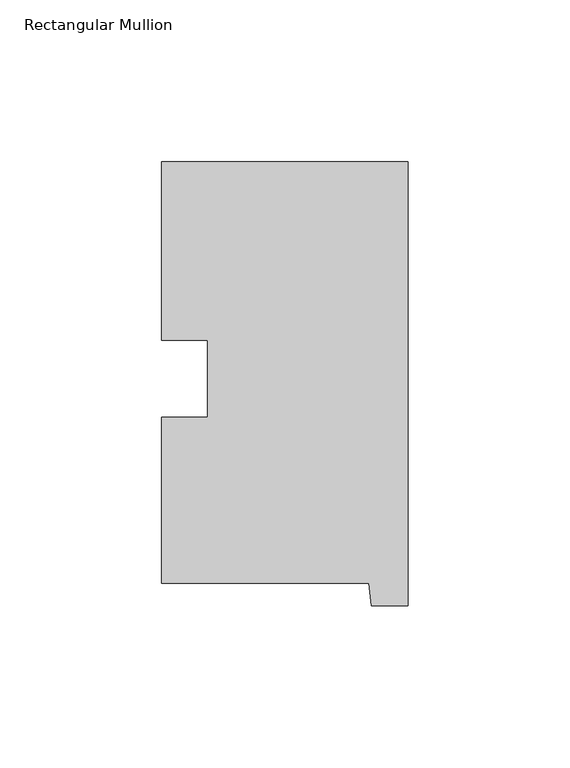
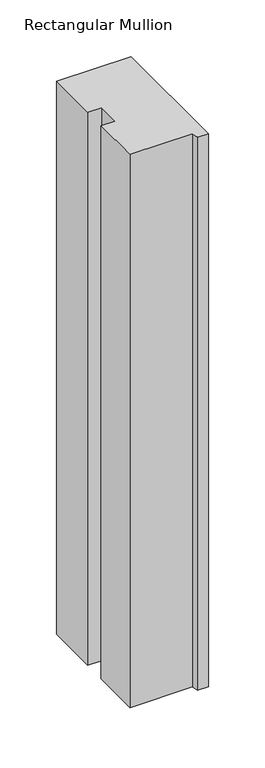
"""IFC4 building model written with IfcOpenShell, lengths in millimetres: member geometry, Rectangular Mullion."""

from ifc_helpers import new_model, si_unit, frame, origin, place, context, project, spatial, polyline, outline, extrude, source, transform, mapped, element, save


def rectangular_mullion_60ab1655(model_context):
    return source(origin(), model_context, "Body", "SweptSolid", [
        extrude(outline(polyline([(-76.2, 130.56235), (0.0, 130.56235), (0.0, -6.64845), (-11.4023812, -6.64845), (-12.1549448, 0.26035), (-76.2, 0.26035), (-76.2, 51.60645), (-61.960125, 51.60645), (-61.960125, 75.40625), (-76.2, 75.40625), (-76.2, 130.56235)])), frame((0.0, 0.0, -596.9), z_axis=(0.0, 0.0, 1.0), x_axis=(1.0, 0.0, 0.0)), (0.0, 0.0, 1.0), 596.9),
    ])


if __name__ == "__main__":
    model = new_model("IFC4")
    model_context = context("Model", 3, world=origin())
    ifc_project = project(units=[si_unit("LENGTHUNIT", "METRE", prefix="MILLI")], contexts=[model_context])
    site = spatial("IfcSite", under=ifc_project)
    building = spatial("IfcBuilding", under=site)
    placement = place(None, origin())
    rectangular_mullion_shape = rectangular_mullion_60ab1655(model_context)
    element("IfcMember", 1, ObjectType="Rectangular Mullion", at=placement, inside=building, context=model_context, shape_type="MappedRepresentation", body=[
        mapped(rectangular_mullion_shape, transform((0.0, 0.0, 0.0), x_axis=(1.0, 0.0, 0.0), y_axis=(0.0, 1.0, 0.0), z_axis=(0.0, 0.0, 1.0))),
    ])
    save(model, "model.ifc")
